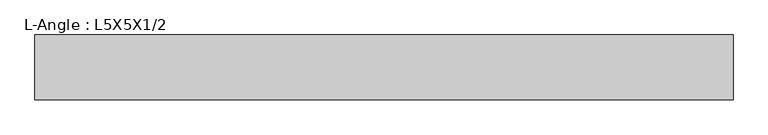
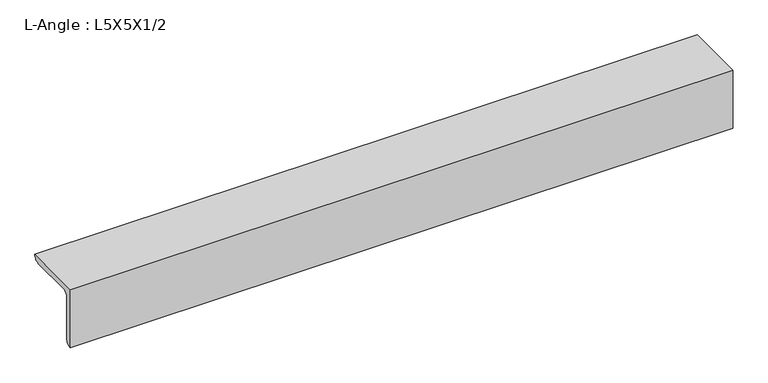
"""IFC4 building model written with IfcOpenShell, lengths in millimetres: beam geometry, L-Angle : L5X5X1/2."""

from ifc_helpers import new_model, si_unit, point, frame, frame_2d, origin, place, context, project, spatial, polyline, circle_curve, trimmed, segment, composite_curve, outline, extrude, source, transform, mapped, element, save


def l_angle_l5x5x1_2_63e3b5aa(model_context):
    return source(origin(), model_context, "Body", "SweptSolid", [
        extrude(outline(composite_curve([segment(polyline([(-36.068, 36.068), (90.932, 36.068)]), True, "CONTINUOUS"), segment(trimmed(circle_curve(frame_2d((78.232, 36.068)), 12.7), [point((90.932, 36.068))], [point((78.232, 23.368))], False, "CARTESIAN"), True, "CONTINUOUS"), segment(polyline([(78.232, 23.368), (-10.668, 23.368)]), True, "CONTINUOUS"), segment(trimmed(circle_curve(frame_2d((-10.668, 10.668)), 12.7), [point((-10.668, 23.368))], [point((-23.368, 10.668))], True, "CARTESIAN"), True, "CONTINUOUS"), segment(polyline([(-23.368, 10.668), (-23.368, -78.232)]), True, "CONTINUOUS"), segment(trimmed(circle_curve(frame_2d((-36.068, -78.232)), 12.7), [point((-23.368, -78.232))], [point((-36.068, -90.932))], False, "CARTESIAN"), True, "CONTINUOUS"), segment(polyline([(-36.068, -90.932), (-36.068, 36.068)]), True, "CONTINUOUS")], self_intersect=False)), frame((-215.873497, 0.0, 0.0), z_axis=(1.0, 0.0, 0.0), x_axis=(0.0, 1.0, 0.0)), (0.0, 0.0, 1.0), 1366.9460552),
    ])


if __name__ == "__main__":
    model = new_model("IFC4")
    model_context = context("Model", 3, world=origin())
    ifc_project = project(units=[si_unit("LENGTHUNIT", "METRE", prefix="MILLI")], contexts=[model_context])
    site = spatial("IfcSite", under=ifc_project)
    building = spatial("IfcBuilding", under=site)
    placement = place(None, origin())
    l_angle_l5x5x1_2_shape = l_angle_l5x5x1_2_63e3b5aa(model_context)
    element("IfcBeam", 1, ObjectType="L-Angle : L5X5X1/2", at=placement, inside=building, context=model_context, shape_type="MappedRepresentation", body=[
        mapped(l_angle_l5x5x1_2_shape, transform((0.0, 0.0, 0.0), x_axis=(1.0, 0.0, 0.0), y_axis=(0.0, 1.0, 0.0), z_axis=(0.0, 0.0, 1.0))),
    ])
    save(model, "model.ifc")
